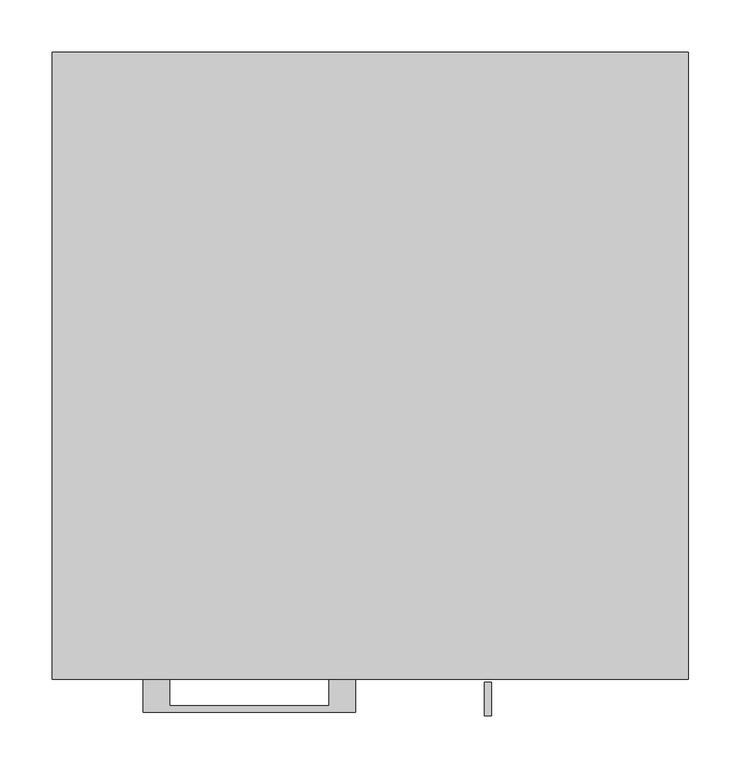
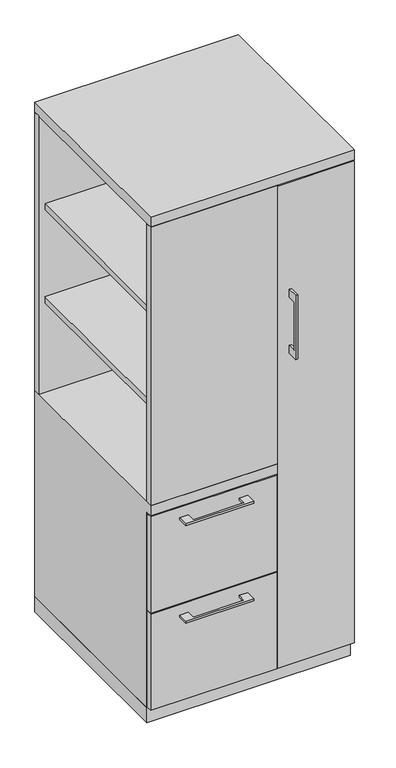
"""IFC4 building model written with IfcOpenShell, lengths in millimetres: furniture geometry."""

from ifc_helpers import new_model, si_unit, frame, origin, origin_with_axes, place, context, project, spatial, polyline, outline, extrude, faceted_brep, source, transform, mapped, element, save


def furniture_f2be5667(model_context):
    return source(origin(), model_context, "Body", "SolidModel", [
        extrude(outline(polyline([(57.15, -579.4375), (-285.75, -579.4375), (-285.75, -17.4625), (57.15, -17.4625), (57.15, -579.4375)])), frame((0.0, 0.0, 1277.4083333), z_axis=(0.0, 0.0, 1.0), x_axis=(1.0, 0.0, 0.0)), (0.0, 0.0, 1.0), 19.05),
        extrude(outline(polyline([(57.15, -581.025), (-285.75, -581.025), (-285.75, -19.05), (57.15, -19.05), (57.15, -581.025)])), frame((0.0, 0.0, 983.1916667), z_axis=(0.0, 0.0, 1.0), x_axis=(1.0, 0.0, 0.0)), (0.0, 0.0, 1.0), 19.05),
        extrude(outline(polyline([(-192.0874818, -600.075), (-192.0874818, -625.4749758), (-39.6875, -625.4749758), (-39.6875, -600.075), (-14.2875061, -600.075), (-14.2875061, -631.8249879), (-217.4874939, -631.8249879), (-217.4874939, -600.075), (-192.0874818, -600.075)])), frame((0.0, 0.0, 623.8875506), z_axis=(0.0, 0.0, 1.0), x_axis=(1.0, 0.0, 0.0)), (0.0, 0.0, 1.0), 6.3499758),
        extrude(outline(polyline([(73.025, -581.025), (73.025, -600.075), (-304.8, -600.075), (-304.8, -581.025), (73.025, -581.025)])), frame((0.0, 0.0, 358.775), z_axis=(0.0, 0.0, 1.0), x_axis=(1.0, 0.0, 0.0)), (0.0, 0.0, 1.0), 304.8),
        extrude(outline(polyline([(-603.25, 1216.025), (-628.6499758, 1216.025), (-628.6499758, 1063.625), (-603.25, 1063.625), (-603.25, 1038.225), (-634.9999879, 1038.225), (-634.9999879, 1241.425), (-603.25, 1241.425), (-603.25, 1216.025)])), frame((109.5375121, 0.0, 0.0), z_axis=(1.0, 0.0, 0.0), x_axis=(0.0, 1.0, 0.0)), (0.0, 0.0, 1.0), 6.3499758),
        extrude(outline(polyline([(304.8, -600.075), (76.2, -600.075), (76.2, -581.025), (304.8, -581.025), (304.8, -600.075)])), frame((0.0, 0.0, 50.8), z_axis=(0.0, 0.0, 1.0), x_axis=(1.0, 0.0, 0.0)), (0.0, 0.0, 1.0), 1527.175),
        extrude(outline(polyline([(-192.0874818, -600.075), (-192.0874818, -625.4749758), (-39.6875, -625.4749758), (-39.6875, -600.075), (-14.2875061, -600.075), (-14.2875061, -631.8249879), (-217.4874939, -631.8249879), (-217.4874939, -600.075), (-192.0874818, -600.075)])), frame((0.0, 0.0, 315.9125506), z_axis=(0.0, 0.0, 1.0), x_axis=(1.0, 0.0, 0.0)), (0.0, 0.0, 1.0), 6.3499758),
        extrude(outline(polyline([(73.025, -581.025), (73.025, -600.075), (-304.8, -600.075), (-304.8, -581.025), (73.025, -581.025)])), frame((0.0, 0.0, 50.8), z_axis=(0.0, 0.0, 1.0), x_axis=(1.0, 0.0, 0.0)), (0.0, 0.0, 1.0), 304.8),
        faceted_brep([(-304.8, -581.025, 47.625), (-304.8, 0.0, 47.625), (76.2, 0.0, 47.625), (76.2, -581.025, 47.625), (-304.8, 0.0, 698.5), (76.2, 0.0, 698.5), (-304.8, -581.025, 666.75), (-304.8, -600.075, 666.75), (-304.8, -600.075, 698.5), (76.2, -581.025, 666.75), (57.15, -581.025, 666.75), (76.2, -581.025, 1581.15), (57.15, -581.025, 1581.15), (57.15, -581.025, 698.5), (76.2, -581.025, 698.5), (76.2, -19.05, 698.5), (76.2, -19.05, 1581.15), (76.2, -600.075, 698.5), (76.2, -600.075, 666.75), (57.15, -19.05, 1581.15), (57.15, -19.05, 698.5)], [[[0, 1, 2, 3]], [[2, 1, 4, 5]], [[4, 1, 0, 6, 7, 8]], [[6, 0, 3, 9, 10]], [[11, 12, 13, 14]], [[2, 5, 15, 16, 11, 14, 17, 18, 9, 3]], [[16, 19, 12, 11]], [[19, 16, 15, 20]], [[12, 19, 20, 13]], [[5, 4, 8, 17, 14, 13, 20, 15]], [[18, 7, 6, 10, 9]], [[17, 8, 7, 18]]]),
        extrude(outline(polyline([(76.2, 0.0), (76.2, -19.05), (-304.8, -19.05), (-304.8, 0.0), (76.2, 0.0)])), frame((0.0, 0.0, 698.5), z_axis=(0.0, 0.0, 1.0), x_axis=(1.0, 0.0, 0.0)), (0.0, 0.0, 1.0), 882.65),
        extrude(outline(polyline([(76.2, -600.075), (-304.8, -600.075), (-304.8, -581.025), (76.2, -581.025), (76.2, -600.075)])), frame((0.0, 0.0, 698.5), z_axis=(0.0, 0.0, 1.0), x_axis=(1.0, 0.0, 0.0)), (0.0, 0.0, 1.0), 882.65),
        extrude(outline(polyline([(304.8, 0.0), (304.8, -581.025), (285.75, -581.025), (285.75, -19.05), (76.2, -19.05), (76.2, 0.0), (304.8, 0.0)])), frame((0.0, 0.0, 47.625), z_axis=(0.0, 0.0, 1.0), x_axis=(1.0, 0.0, 0.0)), (0.0, 0.0, 1.0), 1533.525),
        extrude(outline(polyline([(304.8, 0.0), (304.8, -600.075), (-304.8, -600.075), (-304.8, 0.0), (304.8, 0.0)])), frame((0.0, 0.0, 1581.15), z_axis=(0.0, 0.0, 1.0), x_axis=(1.0, 0.0, 0.0)), (0.0, 0.0, 1.0), 31.75),
        extrude(outline(polyline([(304.8, 0.0), (304.8, -581.025), (-304.8, -581.025), (-304.8, 0.0), (304.8, 0.0)])), origin_with_axes(), (0.0, 0.0, 1.0), 47.625),
    ])


if __name__ == "__main__":
    model = new_model("IFC4")
    model_context = context("Model", 3, world=origin())
    ifc_project = project(units=[si_unit("LENGTHUNIT", "METRE", prefix="MILLI")], contexts=[model_context])
    site = spatial("IfcSite", under=ifc_project)
    building = spatial("IfcBuilding", under=site)
    placement = place(None, origin())
    furniture_shape = furniture_f2be5667(model_context)
    element("IfcFurniture", 1, at=placement, inside=building, context=model_context, shape_type="MappedRepresentation", body=[
        mapped(furniture_shape, transform((0.0, 0.0, 0.0), x_axis=(1.0, 0.0, 0.0), y_axis=(0.0, 1.0, 0.0), z_axis=(0.0, 0.0, 1.0))),
    ])
    save(model, "model.ifc")
